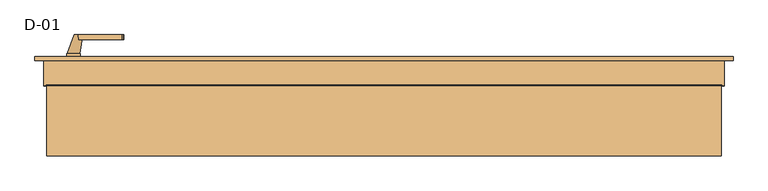
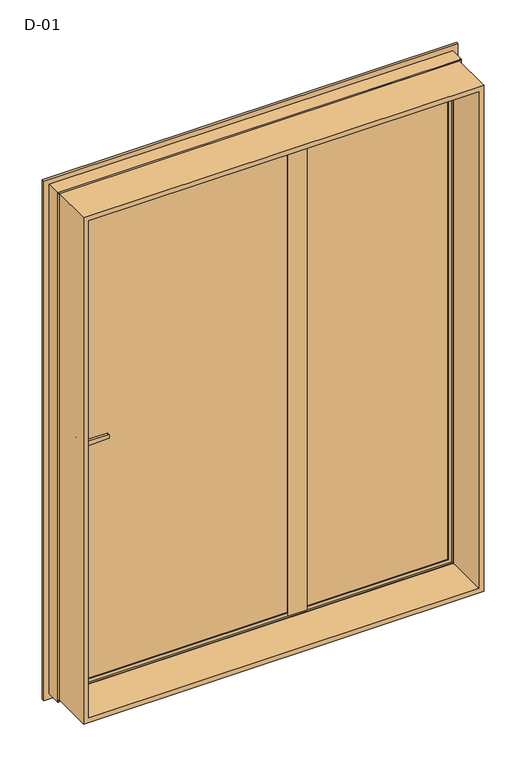
"""IFC4 building model written with IfcOpenShell, lengths in millimetres: door geometry, D-01."""

import ifcopenshell
import ifcopenshell.guid

model = None  # the IFC model being written
_history = None  # IfcOwnerHistory: only IFC2X3 demands one
_inside = {}  # id of a spatial element -> (the spatial element, [elements in it])
_under = {}  # id of a project, library or spatial element -> (it, [spatial elements below it])
_declared = {}  # id of a project -> (the project, [libraries it declares])
_typed = {}  # id of a type object -> (the type object, [elements of that type])
_made_of = {}  # id of a material, layer set ... -> (it, [elements and type objects made of it])


def new_model(schema):
    """Start an empty IFC model of exactly this schema.

    Asked for "IFC4X3", IfcOpenShell would pick the latest addendum, in which some entities
    have other attributes; the version numbers below select the first issue.
    IFC2X3 requires an IfcOwnerHistory on every rooted entity: one is made here for all.
    """
    global model, _history
    if schema == "IFC4X3":
        model = ifcopenshell.file(schema_version=(4, 3, 0, 0))
    else:
        model = ifcopenshell.file(schema=schema)
    _inside.clear()
    _under.clear()
    _declared.clear()
    _typed.clear()
    _made_of.clear()
    _history = None
    if model.schema == "IFC2X3":
        org = make("IfcOrganization", Name="unknown")
        user = make(
            "IfcPersonAndOrganization",
            ThePerson=make("IfcPerson", FamilyName="unknown"),
            TheOrganization=org,
        )
        app = make(
            "IfcApplication",
            ApplicationDeveloper=org,
            Version="unknown",
            ApplicationFullName="unknown",
            ApplicationIdentifier="unknown",
        )
        _history = make(
            "IfcOwnerHistory",
            OwningUser=user,
            OwningApplication=app,
            ChangeAction="ADDED",
            CreationDate=0,
        )
    return model


def make(cls, **values):
    """One entity of the class cls with the attributes given. An attribute that is None is left unset."""
    return model.create_entity(
        cls, **{name: value for name, value in values.items() if value is not None}
    )


def rooted(cls, **values):
    """An entity with a GlobalId (a new one), such as an element, a storey or a relation."""
    return make(cls, GlobalId=ifcopenshell.guid.new(), OwnerHistory=_history, **values)


def si_unit(unit_type, name, prefix=None):
    """IfcSIUnit, for example si_unit("LENGTHUNIT", "METRE", prefix="MILLI")."""
    return make("IfcSIUnit", UnitType=unit_type, Prefix=prefix, Name=name)


def assignment(units):
    """IfcUnitAssignment: the units of a project."""
    return None if units is None else make("IfcUnitAssignment", Units=units)


def point(xyz):
    """IfcCartesianPoint."""
    return None if xyz is None else make("IfcCartesianPoint", Coordinates=xyz)


def direction(xyz):
    """IfcDirection."""
    return None if xyz is None else make("IfcDirection", DirectionRatios=xyz)


def frame(location, z_axis=None, x_axis=None):
    """IfcAxis2Placement3D, a coordinate frame: its origin and axes. An axis left out is left unset."""
    return make(
        "IfcAxis2Placement3D",
        Location=point(location),
        Axis=direction(z_axis),
        RefDirection=direction(x_axis),
    )


def frame_2d(location, x_axis=None):
    """IfcAxis2Placement2D, a coordinate frame in the plane: its origin and x axis."""
    return make(
        "IfcAxis2Placement2D", Location=point(location), RefDirection=direction(x_axis)
    )


def origin():
    """The frame at (0, 0, 0) with its axes left unset."""
    return frame((0.0, 0.0, 0.0))


def place(relative_to, where):
    """IfcLocalPlacement: puts the frame where relative to a parent placement (None: the world)."""
    return make(
        "IfcLocalPlacement", PlacementRelTo=relative_to, RelativePlacement=where
    )


def context(
    kind, dimensions, precision=None, world=None, true_north=None, identifier=None
):
    """IfcGeometricRepresentationContext, for example the 3D "Model" context."""
    return make(
        "IfcGeometricRepresentationContext",
        ContextIdentifier=identifier,
        ContextType=kind,
        CoordinateSpaceDimension=dimensions,
        Precision=precision,
        WorldCoordinateSystem=world,
        TrueNorth=true_north,
    )


def project(units=None, contexts=None):
    """IfcProject with its units and contexts."""
    return rooted(
        "IfcProject",
        Name="project",
        RepresentationContexts=contexts,
        UnitsInContext=assignment(units),
    )


def spatial(cls, under=None, at=None, **own):
    """A site, building, storey or space (cls), placed at a placement, below another one or the project."""
    s = rooted(cls, ObjectPlacement=at, **own)
    if under is not None:
        _under.setdefault(under.id(), (under, []))[1].append(s)
    return s


def polyline(points):
    """IfcPolyline through the points."""
    return make("IfcPolyline", Points=[point(p) for p in points])


def circle_curve(where, radius):
    """IfcCircle in the frame where."""
    return make("IfcCircle", Position=where, Radius=radius)


def ellipse_curve(where, semi_axis1, semi_axis2):
    """IfcEllipse in the frame where."""
    return make(
        "IfcEllipse", Position=where, SemiAxis1=semi_axis1, SemiAxis2=semi_axis2
    )


def trimmed(basis, trim1, trim2, sense, master):
    """IfcTrimmedCurve: the piece of a basis curve between two trims."""
    return make(
        "IfcTrimmedCurve",
        BasisCurve=basis,
        Trim1=trim1,
        Trim2=trim2,
        SenseAgreement=sense,
        MasterRepresentation=master,
    )


def segment(curve, same_sense, transition):
    """IfcCompositeCurveSegment."""
    return make(
        "IfcCompositeCurveSegment",
        Transition=transition,
        SameSense=same_sense,
        ParentCurve=curve,
    )


def composite_curve(segments, self_intersect=None):
    """IfcCompositeCurve: segments joined end to end."""
    return make("IfcCompositeCurve", Segments=segments, SelfIntersect=self_intersect)


def outline(outer, holes=None, kind="AREA"):
    """IfcArbitraryClosedProfileDef: a profile drawn as a closed curve; with holes, ...WithVoids."""
    if holes is None:
        return make("IfcArbitraryClosedProfileDef", ProfileType=kind, OuterCurve=outer)
    return make(
        "IfcArbitraryProfileDefWithVoids",
        ProfileType=kind,
        OuterCurve=outer,
        InnerCurves=holes,
    )


def extrude(swept, where, along, depth):
    """IfcExtrudedAreaSolid: the profile swept, set in the frame where, extruded along a direction by depth."""
    return make(
        "IfcExtrudedAreaSolid",
        SweptArea=swept,
        Position=where,
        ExtrudedDirection=direction(along),
        Depth=depth,
    )


def shape(context_of_items, identifier, shape_type, items):
    """IfcShapeRepresentation: the items that make up one representation, for example the "Body"."""
    return make(
        "IfcShapeRepresentation",
        ContextOfItems=context_of_items,
        RepresentationIdentifier=identifier,
        RepresentationType=shape_type,
        Items=items,
    )


def source(mapping_origin, context_of_items, identifier, shape_type, items):
    """IfcRepresentationMap: a shape defined once, which mapped items show again and again."""
    return make(
        "IfcRepresentationMap",
        MappingOrigin=mapping_origin,
        MappedRepresentation=shape(context_of_items, identifier, shape_type, items),
    )


def transform(
    local_origin,
    x_axis=None,
    y_axis=None,
    z_axis=None,
    scale=None,
    scale2=None,
    scale3=None,
    uniform=True,
):
    """IfcCartesianTransformationOperator3D, or its non-uniform kind. x_axis, y_axis, z_axis: its Axis1, 2, 3."""
    if uniform:
        return make(
            "IfcCartesianTransformationOperator3D",
            Axis1=direction(x_axis),
            Axis2=direction(y_axis),
            LocalOrigin=point(local_origin),
            Scale=scale,
            Axis3=direction(z_axis),
        )
    return make(
        "IfcCartesianTransformationOperator3DnonUniform",
        Axis1=direction(x_axis),
        Axis2=direction(y_axis),
        LocalOrigin=point(local_origin),
        Scale=scale,
        Axis3=direction(z_axis),
        Scale2=scale2,
        Scale3=scale3,
    )


def mapped(mapping_source, mapping_target):
    """IfcMappedItem: shows the shape of a source again, moved by a transform."""
    return make(
        "IfcMappedItem", MappingSource=mapping_source, MappingTarget=mapping_target
    )


def made_of(thing, what):
    """Note that an element or type object is made of a material, layer set ...; save() writes the relation."""
    if what is not None:
        _made_of.setdefault(what.id(), (what, []))[1].append(thing)
    return thing


def element(
    cls,
    number,
    at=None,
    inside=None,
    cuts=None,
    type_object=None,
    material=None,
    context=None,
    identifier="Body",
    shape_type=None,
    held_by="IfcProductDefinitionShape",
    body=None,
    shapes=None,
    **own,
):
    """One element of the class cls, such as IfcWall. Its Tag is "e" and its number.

    at: its placement. inside: the storey or other place that contains it. cuts: it is an
    opening in that element (IfcRelVoidsElement). A single representation is given by context,
    identifier, shape_type and body (its items); several are given by shapes. held_by: the class
    of the entity that holds the representations. save() writes the other relations.
    """
    e = rooted(cls, Tag="e%d" % number, ObjectPlacement=at, **own)
    if body is not None:
        shapes = [shape(context, identifier, shape_type, body)]
    if shapes is not None:
        e.Representation = make(held_by, Representations=shapes)
    if inside is not None:
        _inside.setdefault(inside.id(), (inside, []))[1].append(e)
    if cuts is not None:
        rooted(
            "IfcRelVoidsElement", RelatingBuildingElement=cuts, RelatedOpeningElement=e
        )
    if type_object is not None:
        _typed.setdefault(type_object.id(), (type_object, []))[1].append(e)
    return made_of(e, material)


def aggregate(whole, parts):
    """IfcRelAggregates: a whole, such as a stair, and the parts it consists of."""
    return rooted("IfcRelAggregates", RelatingObject=whole, RelatedObjects=parts)


def save(model, path):
    """Write the relations noted so far, then the file.

    IfcRelAggregates (storeys below a building ...), IfcRelContainedInSpatialStructure (elements
    in a storey), IfcRelDefinesByType, IfcRelAssociatesMaterial and IfcRelDeclares: one each for
    every whole, place, type object, material and project.
    """
    for whole, parts in _under.values():
        aggregate(whole, parts)
    for where, things in _inside.values():
        rooted(
            "IfcRelContainedInSpatialStructure",
            RelatedElements=things,
            RelatingStructure=where,
        )
    for kind, things in _typed.values():
        rooted("IfcRelDefinesByType", RelatedObjects=things, RelatingType=kind)
    for what, things in _made_of.values():
        rooted("IfcRelAssociatesMaterial", RelatedObjects=things, RelatingMaterial=what)
    for by, libraries in _declared.values():
        rooted("IfcRelDeclares", RelatingContext=by, RelatedDefinitions=libraries)
    model.write(path)


def plane_surface(at):
    """IfcPlane: the flat surface through the origin of the frame at, square to its z axis."""
    return make("IfcPlane", Position=at)


def cylinder_surface(at, radius):
    """IfcCylindricalSurface: all points at the distance radius from the z axis of the frame at."""
    return make("IfcCylindricalSurface", Position=at, Radius=radius)


def revolved_surface(curve, axis_point, axis_direction):
    """IfcSurfaceOfRevolution: the curve turned about the line through axis_point along axis_direction."""
    return make(
        "IfcSurfaceOfRevolution",
        SweptCurve=make("IfcArbitraryOpenProfileDef", ProfileType="CURVE", Curve=curve),
        AxisPosition=make("IfcAxis1Placement", Location=point(axis_point), Axis=direction(axis_direction)),
    )


def spline_surface(u_degree, v_degree, points, u_multiplicities, v_multiplicities, u_knots, v_knots, weights=None):
    """IfcBSplineSurfaceWithKnots; with weights, IfcRationalBSplineSurfaceWithKnots. points: one row for each step in u."""
    own = dict(
        UDegree=u_degree,
        VDegree=v_degree,
        ControlPointsList=[[point(p) for p in row] for row in points],
        SurfaceForm="UNSPECIFIED",
        UClosed=False,
        VClosed=False,
        SelfIntersect=False,
        UMultiplicities=u_multiplicities,
        VMultiplicities=v_multiplicities,
        UKnots=u_knots,
        VKnots=v_knots,
        KnotSpec="UNSPECIFIED",
    )
    if weights is None:
        return make("IfcBSplineSurfaceWithKnots", **own)
    return make("IfcRationalBSplineSurfaceWithKnots", WeightsData=weights, **own)


def advanced_brep(points, edges, surfaces, faces):
    """IfcAdvancedBrep: a solid bounded by faces that lie on surfaces and meet in shared edges.

    An edge is (start, end): straight between two places in points (the first is 0);
    or (start, end, curve); or (start, end, curve, False) where it runs against its curve.
    A face is (place in surfaces, loops), or (place, loops, False) where it looks against
    its surface's normal. A loop lists edges by number (the first is 1), with a minus sign
    where the edge is run from its end to its start. The first loop is the outer one.
    """
    corners = [point(p) for p in points]
    vertices = [make("IfcVertexPoint", VertexGeometry=c) for c in corners]
    made = []
    for start, end, *more in edges:
        made.append(
            make(
                "IfcEdgeCurve",
                EdgeStart=vertices[start],
                EdgeEnd=vertices[end],
                EdgeGeometry=more[0] if more else make("IfcPolyline", Points=[corners[start], corners[end]]),
                SameSense=more[1] if len(more) > 1 else True,
            )
        )
    hull = []
    for where, loops, *sense in faces:
        bounds = []
        for j, loop in enumerate(loops):
            ring = [make("IfcOrientedEdge", EdgeElement=made[abs(k) - 1], Orientation=k > 0) for k in loop]
            bounds.append(
                make(
                    "IfcFaceOuterBound" if j == 0 else "IfcFaceBound",
                    Bound=make("IfcEdgeLoop", EdgeList=ring),
                    Orientation=True,
                )
            )
        hull.append(make("IfcAdvancedFace", Bounds=bounds, FaceSurface=surfaces[where], SameSense=sense[0] if sense else True))
    return make("IfcAdvancedBrep", Outer=make("IfcClosedShell", CfsFaces=hull))


def d_01_86dd3522(model_context):
    return source(origin(), model_context, "Body", "SolidModel", [
        extrude(outline(polyline([(723.0, 74.3927452), (172.0, 74.3927452), (172.0, 100.3927452), (723.0, 100.3927452), (723.0, 74.3927452)])), frame((0.0, 0.0, 26.9999604), z_axis=(0.0, 0.0, 1.0), x_axis=(1.0, 0.0, 0.0)), (0.0, 0.0, 1.0), 1946.0000792),
        extrude(outline(polyline([(1993.8, 743.8), (1993.8, -743.8), (6.2, -743.8), (6.2, 743.8), (1993.8, 743.8)]), holes=[polyline([(24.7, 725.3), (24.7, -725.3), (1975.3, -725.3), (1975.3, 725.3), (24.7, 725.3)])]), frame((0.0, -100.0, 0.0), z_axis=(0.0, 1.0, 0.0), x_axis=(0.0, 0.0, 1.0)), (0.0, 0.0, 1.0), 165.9999813),
        advanced_brep(
        [(710.0, 107.7228474, 1960.0000396), (710.0, 107.7228474, 39.9999604), (707.8575034, 100.3927452, 42.142457), (707.8575034, 100.3927452, 1957.857543), (730.0, 100.3927452, 19.9999604), (730.0, 100.3927452, 1980.0000396), (165.0, 100.3927452, 1980.0000396), (165.0, 100.3927452, 19.9999604), (187.1424966, 100.3927452, 42.142457), (187.1424966, 100.3927452, 1957.857543), (185.0, 107.7228474, 39.9999604), (710.0, 118.9999377, 1960.0000396), (710.0, 118.9999377, 39.9999604), (185.0, 118.9999377, 39.9999604), (730.0, 118.9999377, 1980.0000396), (730.0, 118.9999377, 19.9999604), (165.0, 118.9999377, 19.9999604), (165.0, 118.9999377, 1980.0000396), (185.0, 118.9999377, 1960.0000396), (185.0, 107.7228474, 1960.0000396)],
        [
            (0, 1),
            (1, 2, ellipse_curve(frame((690.3925883, 109.4756835, 59.6073722), z_axis=(-0.7071067811865475, 0.0, -0.7071067811865475), x_axis=(0.7071067811865474, 0.0, -0.7071067811865476)), 27.839649, 19.6856046)),
            (2, 3),
            (3, 0, ellipse_curve(frame((690.3925883, 109.4756835, 1940.3926278), z_axis=(-0.7071067811865475, 0.0, 0.7071067811865475), x_axis=(-0.7071067811865474, 0.0, -0.7071067811865476)), 27.839649, 19.6856046)),
            (4, 5),
            (5, 6),
            (6, 7),
            (7, 4),
            (2, 8),
            (8, 9),
            (9, 3),
            (1, 10),
            (10, 8, ellipse_curve(frame((204.6074117, 109.4756835, 59.6073722), z_axis=(-0.7071067811865475, 0.0, 0.7071067811865475), x_axis=(-0.7071067811865476, 0.0, -0.7071067811865474)), 27.839649, 19.6856046)),
            (11, 12),
            (12, 1),
            (0, 11),
            (12, 13),
            (13, 10),
            (14, 15),
            (15, 16),
            (16, 17),
            (17, 14),
            (11, 18),
            (18, 13),
            (4, 15),
            (14, 5),
            (7, 16),
            (10, 19),
            (19, 9, ellipse_curve(frame((204.6074117, 109.4756835, 1940.3926278), z_axis=(0.7071067811865475, 0.0, 0.7071067811865475), x_axis=(-0.7071067811865474, 0.0, 0.7071067811865476)), 27.839649, 19.6856046)),
            (18, 19),
            (6, 17),
            (19, 0),
        ],
        [
            revolved_surface(polyline([(710.0781929000001, 109.4756835, 39.9217676062467), (710.0781929000001, 109.4756835, 1960.0782323937533)]), (690.3925883, 109.4756835, 1980.0000396), (0.0, 0.0, -1.0)),
            plane_surface(frame((165.0, 100.3927452, 1980.0000396), z_axis=(0.0, -1.0, 0.0), x_axis=(1.0, 0.0, 0.0))),
            revolved_surface(polyline([(184.92180710624677, 109.4756835, 39.921767599999995), (710.0781928937533, 109.4756835, 39.921767599999995)]), (730.0, 109.4756835, 59.6073722), (-1.0, 0.0, 0.0)),
            plane_surface(frame((710.0, 107.7228474, 1960.0000396), z_axis=(-1.0, 0.0, 0.0), x_axis=(0.0, 0.0, -1.0))),
            plane_surface(frame((710.0, 107.7228474, 39.9999604), z_axis=(0.0, 0.0, 1.0), x_axis=(-1.0, 0.0, 0.0))),
            plane_surface(frame((185.0, 118.9999377, 1960.0000396), z_axis=(0.0, 1.0, 0.0), x_axis=(1.0, 0.0, 0.0))),
            plane_surface(frame((730.0, 118.9999377, 1980.0000396), z_axis=(1.0, 0.0, 0.0), x_axis=(0.0, 0.0, -1.0))),
            plane_surface(frame((730.0, 118.9999377, 19.9999604), z_axis=(0.0, 0.0, -1.0), x_axis=(-1.0, 0.0, 0.0))),
            revolved_surface(polyline([(184.9218071, 109.4756835, 1960.0782323937533), (184.9218071, 109.4756835, 39.92176760624672)]), (204.6074117, 109.4756835, 19.9999604), (0.0, 0.0, 1.0)),
            plane_surface(frame((185.0, 107.7228474, 39.9999604), z_axis=(1.0, 0.0, 0.0), x_axis=(0.0, 0.0, 1.0))),
            plane_surface(frame((165.0, 118.9999377, 19.9999604), z_axis=(-1.0, 0.0, 0.0), x_axis=(0.0, 0.0, 1.0))),
            revolved_surface(polyline([(710.0781928937533, 109.4756835, 1960.0782324), (184.92180710624672, 109.4756835, 1960.0782324)]), (165.0, 109.4756835, 1940.3926278), (1.0, 0.0, 0.0)),
            plane_surface(frame((185.0, 107.7228474, 1960.0000396), z_axis=(0.0, 0.0, -1.0), x_axis=(1.0, 0.0, 0.0))),
            plane_surface(frame((165.0, 118.9999377, 1980.0000396), z_axis=(0.0, 0.0, 1.0), x_axis=(1.0, 0.0, 0.0))),
        ],
        [
            (0, [[1, 2, 3, 4]]),
            (1, [[5, 6, 7, 8], [-3, 9, 10, 11]]),
            (2, [[12, 13, -9, -2]]),
            (3, [[14, 15, -1, 16]]),
            (4, [[17, 18, -12, -15]]),
            (5, [[19, 20, 21, 22], [-14, 23, 24, -17]]),
            (6, [[-5, 25, -19, 26]]),
            (7, [[-8, 27, -20, -25]]),
            (8, [[28, 29, -10, -13]]),
            (9, [[-24, 30, -28, -18]]),
            (10, [[-7, 31, -21, -27]]),
            (11, [[32, -4, -11, -29]]),
            (12, [[-23, -16, -32, -30]]),
            (13, [[-6, -26, -22, -31]]),
        ],
    ),
        extrude(outline(polyline([(114.9999652, 68.9990172), (114.9999652, 72.5990172), (134.9999813, 72.5990172), (134.9999813, 118.9999375), (165.0000187, 118.9999375), (165.0000187, 72.5990172), (185.0000026, 72.5990172), (185.0000026, 68.9990172), (114.9999652, 68.9990172)])), frame((0.0, 0.0, 19.9999604), z_axis=(0.0, 0.0, 1.0), x_axis=(1.0, 0.0, 0.0)), (0.0, 0.0, 1.0), 1960.0000792),
        extrude(outline(composite_curve([segment(polyline([(895.7, -680.0), (908.3261365, -680.0)]), True, "CONTINUOUS"), segment(trimmed(circle_curve(frame_2d((915.2, -685.0)), 8.5), [point((908.3261365, -680.0))], [point((908.3261365, -690.0))], False, "CARTESIAN"), True, "CONTINUOUS"), segment(polyline([(908.3261365, -690.0), (895.7, -690.0)]), True, "CONTINUOUS"), segment(trimmed(circle_curve(frame_2d((895.7, -685.0)), 5.0), [point((895.7, -690.0))], [point((895.7, -680.0))], False, "CARTESIAN"), True, "CONTINUOUS")], self_intersect=False)), frame((0.0, 66.3, 0.0), z_axis=(0.0, 1.0, 0.0), x_axis=(0.0, 0.0, 1.0)), (0.0, 0.0, 1.0), 11.0),
        extrude(outline(composite_curve([segment(trimmed(circle_curve(frame_2d((956.1155661, -685.0)), 97.2636214), [point((860.0, -699.9))], [point((860.0, -670.1))], False, "CARTESIAN"), True, "CONTINUOUS"), segment(polyline([(860.0, -670.1), (1078.5, -670.1)]), True, "CONTINUOUS"), segment(trimmed(circle_curve(frame_2d((982.3844339, -685.0)), 97.2636214), [point((1078.5, -670.1))], [point((1078.5, -699.9))], False, "CARTESIAN"), True, "CONTINUOUS"), segment(polyline([(1078.5, -699.9), (860.0, -699.9)]), True, "CONTINUOUS")], self_intersect=False), holes=[composite_curve([segment(polyline([(895.7, -690.0), (908.3261365, -690.0)]), True, "CONTINUOUS"), segment(trimmed(circle_curve(frame_2d((915.2, -685.0)), 8.5), [point((908.3261365, -690.0))], [point((908.3261365, -680.0))], True, "CARTESIAN"), True, "CONTINUOUS"), segment(polyline([(908.3261365, -680.0), (895.7, -680.0)]), True, "CONTINUOUS"), segment(trimmed(circle_curve(frame_2d((895.7, -685.0)), 5.0), [point((895.7, -680.0))], [point((895.7, -690.0))], True, "CARTESIAN"), True, "CONTINUOUS")], self_intersect=False)]), frame((0.0, 67.3, 0.0), z_axis=(0.0, 1.0, 0.0), x_axis=(0.0, 0.0, 1.0)), (0.0, 0.0, 1.0), 10.0),
        extrude(outline(composite_curve([segment(polyline([(1009.5, -674.0), (990.5, -674.0), (993.0308731, -577.3498556)]), True, "CONTINUOUS"), segment(trimmed(circle_curve(frame_2d((995.0301877, -577.4022095)), 2.0), [point((993.0308731, -577.3498556))], [point((994.5125497, -575.4703579))], False, "CARTESIAN"), True, "CONTINUOUS"), segment(polyline([(994.5125497, -575.4703579), (1000.0, -574.0), (1005.4874503, -575.4703579)]), True, "CONTINUOUS"), segment(trimmed(circle_curve(frame_2d((1004.9698123, -577.4022095)), 2.0), [point((1005.4874503, -575.4703579))], [point((1006.9691269, -577.3498556))], False, "CARTESIAN"), True, "CONTINUOUS"), segment(polyline([(1006.9691269, -577.3498556), (1009.5, -674.0)]), True, "CONTINUOUS")], self_intersect=False)), frame((0.0, 26.3, 0.0), z_axis=(0.0, 1.0, 0.0), x_axis=(0.0, 0.0, 1.0)), (0.0, 0.0, 1.0), 10.0),
        advanced_brep(
        [(-683.5, 26.3, 1000.0), (-664.5, 26.3, 1000.0), (-698.4, 67.3, 1000.0), (-671.6, 67.3, 1000.0)],
        [
            (0, 1, circle_curve(frame((-674.0, 26.3, 1000.0), z_axis=(0.0, -1.0, 0.0), x_axis=(1.0, 0.0, 0.0)), 9.5)),
            (1, 0, circle_curve(frame((-674.0, 26.3, 1000.0), z_axis=(0.0, -1.0, 0.0), x_axis=(1.0, 0.0, 0.0)), 9.5)),
            (2, 3, circle_curve(frame((-685.0, 67.3, 1000.0), z_axis=(0.0, 1.0, 0.0), x_axis=(1.0, 0.0, 0.0)), 13.4)),
            (3, 2, circle_curve(frame((-685.0, 67.3, 1000.0), z_axis=(0.0, 1.0, 0.0), x_axis=(1.0, 0.0, 0.0)), 13.4)),
            (3, 1),
            (0, 2),
        ],
        [
            plane_surface(frame((-674.0, 26.3, 1000.0), z_axis=(0.0, -1.0, 0.0), x_axis=(0.0, 0.0, -1.0))),
            plane_surface(frame((-685.0, 67.3, 1000.0), z_axis=(0.0, 1.0, 0.0), x_axis=(0.0, 0.0, -1.0))),
            spline_surface(2, 1, [[(-698.4, 67.3, 1000.0), (-683.5, 26.3, 1000.0)], [(-698.4, 67.3, 986.6), (-683.5, 26.3, 990.5)], [(-685.0, 67.3, 986.6), (-674.0, 26.3, 990.5)], [(-671.6, 67.3, 986.6), (-664.5, 26.3, 990.5)], [(-671.6, 67.3, 1000.0), (-664.5, 26.3, 1000.0)]], [3, 2, 3], [2, 2], [0.0, 1.0, 2.0], [0.0, 1.0], weights=[[1.0, 1.0], [0.7071067811865476, 0.7071067811865476], [1.0, 1.0], [0.7071067811865476, 0.7071067811865476], [1.0, 1.0]]),
            spline_surface(2, 1, [[(-671.6, 67.3, 1000.0), (-664.5, 26.3, 1000.0)], [(-671.6, 67.3, 1013.4), (-664.5, 26.3, 1009.5)], [(-685.0, 67.3, 1013.4), (-674.0, 26.3, 1009.5)], [(-698.4, 67.3, 1013.4), (-683.5, 26.3, 1009.5)], [(-698.4, 67.3, 1000.0), (-683.5, 26.3, 1000.0)]], [3, 2, 3], [2, 2], [0.0, 1.0, 2.0], [0.0, 1.0], weights=[[1.0, 1.0], [0.7071067811865476, 0.7071067811865476], [1.0, 1.0], [0.7071067811865476, 0.7071067811865476], [1.0, 1.0]]),
        ],
        [
            (0, [[1, 2]]),
            (1, [[3, 4]]),
            (2, [[-4, 5, -1, 6]]),
            (3, [[-3, -6, -2, -5]]),
        ],
    ),
        extrude(outline(composite_curve([segment(polyline([(895.7, -680.0), (908.3261365, -680.0)]), True, "CONTINUOUS"), segment(trimmed(circle_curve(frame_2d((915.2, -685.0)), 8.5), [point((908.3261365, -680.0))], [point((908.3261365, -690.0))], False, "CARTESIAN"), True, "CONTINUOUS"), segment(polyline([(908.3261365, -690.0), (895.7, -690.0)]), True, "CONTINUOUS"), segment(trimmed(circle_curve(frame_2d((895.7, -685.0)), 5.0), [point((895.7, -690.0))], [point((895.7, -680.0))], False, "CARTESIAN"), True, "CONTINUOUS")], self_intersect=False)), frame((0.0, 116.3, 0.0), z_axis=(0.0, 1.0, 0.0), x_axis=(0.0, 0.0, 1.0)), (0.0, 0.0, 1.0), 11.0),
        extrude(outline(composite_curve([segment(trimmed(circle_curve(frame_2d((956.1155661, -685.0)), 97.2636214), [point((860.0, -699.9))], [point((860.0, -670.1))], False, "CARTESIAN"), True, "CONTINUOUS"), segment(polyline([(860.0, -670.1), (1078.5, -670.1)]), True, "CONTINUOUS"), segment(trimmed(circle_curve(frame_2d((982.3844339, -685.0)), 97.2636214), [point((1078.5, -670.1))], [point((1078.5, -699.9))], False, "CARTESIAN"), True, "CONTINUOUS"), segment(polyline([(1078.5, -699.9), (860.0, -699.9)]), True, "CONTINUOUS")], self_intersect=False), holes=[composite_curve([segment(polyline([(895.7, -690.0), (908.3261365, -690.0)]), True, "CONTINUOUS"), segment(trimmed(circle_curve(frame_2d((915.2, -685.0)), 8.5), [point((908.3261365, -690.0))], [point((908.3261365, -680.0))], True, "CARTESIAN"), True, "CONTINUOUS"), segment(polyline([(908.3261365, -680.0), (895.7, -680.0)]), True, "CONTINUOUS"), segment(trimmed(circle_curve(frame_2d((895.7, -685.0)), 5.0), [point((895.7, -680.0))], [point((895.7, -690.0))], True, "CARTESIAN"), True, "CONTINUOUS")], self_intersect=False)]), frame((0.0, 116.3, 0.0), z_axis=(0.0, 1.0, 0.0), x_axis=(0.0, 0.0, 1.0)), (0.0, 0.0, 1.0), 10.0),
        extrude(outline(composite_curve([segment(polyline([(1009.5, -674.0), (990.5, -674.0), (993.0308731, -577.3498556)]), True, "CONTINUOUS"), segment(trimmed(circle_curve(frame_2d((995.0301877, -577.4022095)), 2.0), [point((993.0308731, -577.3498556))], [point((994.5125497, -575.4703579))], False, "CARTESIAN"), True, "CONTINUOUS"), segment(polyline([(994.5125497, -575.4703579), (1000.0, -574.0), (1005.4874503, -575.4703579)]), True, "CONTINUOUS"), segment(trimmed(circle_curve(frame_2d((1004.9698123, -577.4022095)), 2.0), [point((1005.4874503, -575.4703579))], [point((1006.9691269, -577.3498556))], False, "CARTESIAN"), True, "CONTINUOUS"), segment(polyline([(1006.9691269, -577.3498556), (1009.5, -674.0)]), True, "CONTINUOUS")], self_intersect=False)), frame((0.0, 157.3, 0.0), z_axis=(0.0, 1.0, 0.0), x_axis=(0.0, 0.0, 1.0)), (0.0, 0.0, 1.0), 10.0),
        advanced_brep(
        [(-683.5, 167.3, 1000.0), (-664.5, 167.3, 1000.0), (-698.4, 126.3, 1000.0), (-671.6, 126.3, 1000.0)],
        [
            (0, 1, circle_curve(frame((-674.0, 167.3, 1000.0), z_axis=(0.0, 1.0, 0.0), x_axis=(1.0, 0.0, 0.0)), 9.5)),
            (1, 0, circle_curve(frame((-674.0, 167.3, 1000.0), z_axis=(0.0, 1.0, 0.0), x_axis=(1.0, 0.0, 0.0)), 9.5)),
            (2, 3, circle_curve(frame((-685.0, 126.3, 1000.0), z_axis=(0.0, -1.0, 0.0), x_axis=(1.0, 0.0, 0.0)), 13.4)),
            (3, 2, circle_curve(frame((-685.0, 126.3, 1000.0), z_axis=(0.0, -1.0, 0.0), x_axis=(1.0, 0.0, 0.0)), 13.4)),
            (2, 0),
            (1, 3),
        ],
        [
            plane_surface(frame((-674.0, 167.3, 1000.0), z_axis=(0.0, 1.0, 0.0), x_axis=(0.0, 0.0, -1.0))),
            plane_surface(frame((-685.0, 126.3, 1000.0), z_axis=(0.0, -1.0, 0.0), x_axis=(0.0, 0.0, -1.0))),
            spline_surface(1, 2, [[(-698.4, 126.3, 1000.0), (-698.4, 126.3, 986.6), (-685.0, 126.3, 986.6), (-671.6, 126.3, 986.6), (-671.6, 126.3, 1000.0)], [(-683.5, 167.3, 1000.0), (-683.5, 167.3, 990.5), (-674.0, 167.3, 990.5), (-664.5, 167.3, 990.5), (-664.5, 167.3, 1000.0)]], [2, 2], [3, 2, 3], [0.0, 1.0], [0.0, 1.0, 2.0], weights=[[1.0, 0.7071067811865476, 1.0, 0.7071067811865476, 1.0], [1.0, 0.7071067811865476, 1.0, 0.7071067811865476, 1.0]]),
            spline_surface(1, 2, [[(-671.6, 126.3, 1000.0), (-671.6, 126.3, 1013.4), (-685.0, 126.3, 1013.4), (-698.4, 126.3, 1013.4), (-698.4, 126.3, 1000.0)], [(-664.5, 167.3, 1000.0), (-664.5, 167.3, 1009.5), (-674.0, 167.3, 1009.5), (-683.5, 167.3, 1009.5), (-683.5, 167.3, 1000.0)]], [2, 2], [3, 2, 3], [0.0, 1.0], [0.0, 1.0, 2.0], weights=[[1.0, 0.7071067811865476, 1.0, 0.7071067811865476, 1.0], [1.0, 0.7071067811865476, 1.0, 0.7071067811865476, 1.0]]),
        ],
        [
            (0, [[1, 2]]),
            (1, [[3, 4]]),
            (2, [[5, -2, 6, -3]]),
            (3, [[-6, -1, -5, -4]]),
        ],
    ),
        extrude(outline(polyline([(129.0, 116.3), (129.0, 77.3), (-725.0, 77.3), (-725.0, 116.3), (129.0, 116.3)])), frame((0.0, 0.0, 25.0), z_axis=(0.0, 0.0, 1.0), x_axis=(1.0, 0.0, 0.0)), (0.0, 0.0, 1.0), 1950.0),
        advanced_brep(
        [(770.000038, 110.0, 2020.000038), (770.000038, 110.0, -20.000038), (770.000038, 118.9999375, -20.000038), (770.000038, 118.9999375, 2020.000038), (-770.000038, 118.9999375, 2020.000038), (-770.000038, 118.9999375, -20.000038), (730.0000396, 118.9999375, 1980.0000396), (-730.0000396, 118.9999375, 1980.0000396), (-730.0000396, 118.9999375, 19.9999604), (730.0000396, 118.9999375, 19.9999604), (-770.000038, 110.0, -20.000038), (-770.000038, 110.0, 2020.000038), (-750.0, 110.0, 2000.0), (750.0, 110.0, 2000.0), (750.0, 110.0, 0.0), (-750.0, 110.0, 0.0), (750.0, 54.8507969, 2000.0), (750.0, 54.8507969, 0.0), (-750.0, 54.8507969, 0.0), (745.0001465, 54.8506112, 1995.0001465), (745.0001465, 54.8506112, 4.9998535), (-745.0001465, 54.8506112, 4.9998535), (745.0001465, 56.5920405, 1995.0001465), (745.0001465, 56.5920405, 4.9998535), (-745.0001465, 56.5920405, 4.9998535), (743.8001794, 56.5908144, 1993.8001794), (743.8001794, 56.5908144, 6.1998206), (-743.8001794, 56.5908144, 6.1998206), (743.8001794, 65.9999813, 1993.8001794), (743.8001794, 65.9999813, 6.1998206), (-743.8001794, 65.9999813, 6.1998206), (-743.8001794, 65.9999813, 1993.8001794), (-724.2001794, 65.9999813, 1974.2001794), (724.2001794, 65.9999813, 1974.2001794), (724.2001794, 65.9999813, 25.7998206), (-724.2001794, 65.9999813, 25.7998206), (724.2001794, 61.9999728, 1974.2001794), (724.2001794, 61.9999728, 25.7998206), (-724.2001794, 61.9999728, 25.7998206), (-724.2001794, 61.9999728, 1974.2001794), (-722.6156704, 61.9999728, 1972.6156704), (722.6156704, 61.9999728, 1972.6156704), (722.6156704, 61.9999728, 27.3843296), (-722.6156704, 61.9999728, 27.3843296), (722.8755675, 68.9999299, 1972.8755675), (722.8755675, 68.9999299, 27.1244325), (-722.8755675, 68.9999299, 27.1244325), (-722.8755675, 68.9999299, 1972.8755675), (-710.0002274, 68.9999299, 1960.0002274), (710.0002274, 68.9999299, 1960.0002274), (710.0002274, 68.9999299, 39.9997726), (-710.0002274, 68.9999299, 39.9997726), (710.0002274, 72.5999758, 1960.0002274), (710.0002274, 72.5999758, 39.9997726), (-710.0002274, 72.5999758, 39.9997726), (-730.0000396, 72.5999758, 1980.0000396), (730.0000396, 72.5999758, 1980.0000396), (730.0000396, 72.5999758, 19.9999604), (-730.0000396, 72.5999758, 19.9999604), (-710.0002274, 72.5999758, 1960.0002274), (-750.0, 54.8507969, 2000.0), (-745.0001465, 54.8506112, 1995.0001465), (-745.0001465, 56.5920405, 1995.0001465), (-743.8001794, 56.5908144, 1993.8001794)],
        [
            (0, 1),
            (1, 2),
            (2, 3),
            (3, 0),
            (4, 3),
            (2, 5),
            (5, 4),
            (6, 7),
            (7, 8),
            (8, 9),
            (9, 6),
            (1, 10),
            (10, 5),
            (0, 11),
            (11, 10),
            (12, 13),
            (13, 14),
            (14, 15),
            (15, 12),
            (16, 17),
            (17, 14),
            (13, 16),
            (17, 18),
            (18, 15),
            (19, 20),
            (20, 17, ellipse_curve(frame((747.5001465, 52.8785929, 2.4998535), z_axis=(-0.7071067811865475, 0.0, -0.7071067811865475), x_axis=(0.7071067811865474, 0.0, -0.7071067811865476)), 4.5030781, 3.184157)),
            (16, 19, ellipse_curve(frame((747.5001465, 52.8785929, 1997.5001465), z_axis=(-0.7071067811865475, 0.0, 0.7071067811865475), x_axis=(-0.7071067811865474, 0.0, -0.7071067811865476)), 4.5030781, 3.184157)),
            (20, 21),
            (21, 18, ellipse_curve(frame((-747.5001465, 52.8785929, 2.4998535), z_axis=(-0.7071067811865475, 0.0, 0.7071067811865475), x_axis=(-0.7071067811865476, 0.0, -0.7071067811865474)), 4.5030781, 3.184157)),
            (22, 23),
            (23, 20),
            (19, 22),
            (23, 24),
            (24, 21),
            (25, 26),
            (26, 23, ellipse_curve(frame((744.4001534, 56.6007652, 5.5998466), z_axis=(0.7071067811865475, 0.0, 0.7071067811865475), x_axis=(-0.7071067811865474, 0.0, 0.7071067811865476)), 0.8486081, 0.6000566)),
            (22, 25, ellipse_curve(frame((744.4001534, 56.6007652, 1994.4001534), z_axis=(0.7071067811865475, 0.0, -0.7071067811865475), x_axis=(0.7071067811865474, 0.0, 0.7071067811865476)), 0.8486081, 0.6000566)),
            (26, 27),
            (27, 24, ellipse_curve(frame((-744.4001534, 56.6007652, 5.5998466), z_axis=(0.7071067811865475, 0.0, -0.7071067811865475), x_axis=(0.7071067811865476, 0.0, 0.7071067811865474)), 0.8486081, 0.6000566)),
            (28, 29),
            (29, 26),
            (25, 28),
            (29, 30),
            (30, 27),
            (28, 31),
            (31, 30),
            (32, 33),
            (33, 34),
            (34, 35),
            (35, 32),
            (36, 37),
            (37, 34),
            (33, 36),
            (37, 38),
            (38, 35),
            (36, 39),
            (39, 38),
            (40, 41),
            (41, 42),
            (42, 43),
            (43, 40),
            (44, 45),
            (45, 42),
            (41, 44),
            (45, 46),
            (46, 43),
            (44, 47),
            (47, 46),
            (48, 49),
            (49, 50),
            (50, 51),
            (51, 48),
            (52, 53),
            (53, 50),
            (49, 52),
            (53, 54),
            (54, 51),
            (55, 56),
            (56, 57),
            (57, 58),
            (58, 55),
            (52, 59),
            (59, 54),
            (9, 57),
            (56, 6),
            (8, 58),
            (11, 4),
            (18, 60),
            (60, 12),
            (21, 61),
            (61, 60, ellipse_curve(frame((-747.5001465, 52.8785929, 1997.5001465), z_axis=(0.7071067811865475, 0.0, 0.7071067811865475), x_axis=(-0.7071067811865474, 0.0, 0.7071067811865476)), 4.5030781, 3.184157)),
            (24, 62),
            (62, 61),
            (27, 63),
            (63, 62, ellipse_curve(frame((-744.4001534, 56.6007652, 1994.4001534), z_axis=(-0.7071067811865475, 0.0, -0.7071067811865475), x_axis=(0.7071067811865474, 0.0, -0.7071067811865476)), 0.8486081, 0.6000566)),
            (31, 63),
            (39, 32),
            (47, 40),
            (59, 48),
            (7, 55),
            (60, 16),
            (61, 19),
            (62, 22),
            (63, 25),
        ],
        [
            plane_surface(frame((770.000038, 118.9999375, 2020.000038), z_axis=(1.0, 0.0, 0.0), x_axis=(0.0, 0.0, -1.0))),
            plane_surface(frame((-730.0000396, 118.9999375, 19.9999604), z_axis=(0.0, 1.0, 0.0), x_axis=(0.0, 0.0, 1.0))),
            plane_surface(frame((770.000038, 118.9999375, -20.000038), z_axis=(0.0, 0.0, -1.0), x_axis=(-1.0, 0.0, 0.0))),
            plane_surface(frame((-770.000038, 110.0, -20.000038), z_axis=(0.0, -1.0, 0.0), x_axis=(0.0, 0.0, 1.0))),
            plane_surface(frame((750.0, 110.0, 2000.0), z_axis=(1.0, 0.0, 0.0), x_axis=(0.0, 0.0, -1.0))),
            plane_surface(frame((750.0, 110.0, 0.0), z_axis=(0.0, 0.0, -1.0), x_axis=(-1.0, 0.0, 0.0))),
            revolved_surface(polyline([(750.6843035, 52.8785929, -0.6843035607225829), (750.6843035, 52.8785929, 2000.6843035607226)]), (747.5001465, 52.8785929, 2000.0), (0.0, 0.0, -1.0)),
            revolved_surface(polyline([(-750.6843035607226, 52.8785929, -0.6843035), (750.6843035607227, 52.8785929, -0.6843035)]), (750.0, 52.8785929, 2.4998535), (-1.0, 0.0, 0.0)),
            plane_surface(frame((745.0001465, 54.8506112, 1995.0001465), z_axis=(-1.0, 0.0, 0.0), x_axis=(0.0, 0.0, -1.0))),
            plane_surface(frame((745.0001465, 54.8506112, 4.9998535), z_axis=(0.0, 0.0, 1.0), x_axis=(-1.0, 0.0, 0.0))),
            cylinder_surface(frame((744.4001534, 56.6007652, 2000.0), z_axis=(0.0, 0.0, 1.0), x_axis=(1.0, 0.0, 0.0)), 0.6000566),
            cylinder_surface(frame((750.0, 56.6007652, 5.5998466), z_axis=(1.0, 0.0, 0.0), x_axis=(0.0, 0.0, -1.0)), 0.6000566),
            plane_surface(frame((743.8001794, 56.5908144, 1993.8001794), z_axis=(-1.0, 0.0, 0.0), x_axis=(0.0, 0.0, -1.0))),
            plane_surface(frame((743.8001794, 56.5908144, 6.1998206), z_axis=(0.0, 0.0, 1.0), x_axis=(-1.0, 0.0, 0.0))),
            plane_surface(frame((-743.8001794, 65.9999813, 6.1998206), z_axis=(0.0, -1.0, 0.0), x_axis=(0.0, 0.0, 1.0))),
            plane_surface(frame((724.2001794, 65.9999813, 1974.2001794), z_axis=(1.0, 0.0, 0.0), x_axis=(0.0, 0.0, -1.0))),
            plane_surface(frame((724.2001794, 65.9999813, 25.7998206), z_axis=(0.0, 0.0, -1.0), x_axis=(-1.0, 0.0, 0.0))),
            plane_surface(frame((-724.2001794, 61.9999728, 25.7998206), z_axis=(0.0, -1.0, 0.0), x_axis=(0.0, 0.0, 1.0))),
            plane_surface(frame((722.6156704, 61.9999728, 1972.6156704), z_axis=(-0.9993114533203381, 0.0371028201460986, 0.0), x_axis=(0.0, 0.0, -1.0))),
            plane_surface(frame((722.6156704, 61.9999728, 27.3843296), z_axis=(0.0, 0.03710282014609248, 0.9993114533203383), x_axis=(-1.0, 0.0, 0.0))),
            plane_surface(frame((-722.8755675, 68.9999299, 27.1244325), z_axis=(0.0, -1.0, 0.0), x_axis=(0.0, 0.0, 1.0))),
            plane_surface(frame((710.0002274, 68.9999299, 1960.0002274), z_axis=(-1.0, 0.0, 0.0), x_axis=(0.0, 0.0, -1.0))),
            plane_surface(frame((710.0002274, 68.9999299, 39.9997726), z_axis=(0.0, 0.0, 1.0), x_axis=(-1.0, 0.0, 0.0))),
            plane_surface(frame((-710.0002274, 72.5999758, 39.9997726), z_axis=(0.0, 1.0, 0.0), x_axis=(0.0, 0.0, 1.0))),
            plane_surface(frame((730.0000396, 72.5999758, 1980.0000396), z_axis=(-1.0, 0.0, 0.0), x_axis=(0.0, 0.0, -1.0))),
            plane_surface(frame((730.0000396, 72.5999758, 19.9999604), z_axis=(0.0, 0.0, 1.0), x_axis=(-1.0, 0.0, 0.0))),
            plane_surface(frame((-770.000038, 118.9999375, -20.000038), z_axis=(-1.0, 0.0, 0.0), x_axis=(0.0, 0.0, 1.0))),
            plane_surface(frame((-750.0, 110.0, 0.0), z_axis=(-1.0, 0.0, 0.0), x_axis=(0.0, 0.0, 1.0))),
            revolved_surface(polyline([(-750.6843035, 52.8785929, 2000.6843035607226), (-750.6843035, 52.8785929, -0.6843035607226331)]), (-747.5001465, 52.8785929, 0.0), (0.0, 0.0, 1.0)),
            plane_surface(frame((-745.0001465, 54.8506112, 4.9998535), z_axis=(1.0, 0.0, 0.0), x_axis=(0.0, 0.0, 1.0))),
            cylinder_surface(frame((-744.4001534, 56.6007652, 0.0), z_axis=(0.0, 0.0, -1.0), x_axis=(-1.0, 0.0, 0.0)), 0.6000566),
            plane_surface(frame((-743.8001794, 56.5908144, 6.1998206), z_axis=(1.0, 0.0, 0.0), x_axis=(0.0, 0.0, 1.0))),
            plane_surface(frame((-724.2001794, 65.9999813, 25.7998206), z_axis=(-1.0, 0.0, 0.0), x_axis=(0.0, 0.0, 1.0))),
            plane_surface(frame((-722.6156704, 61.9999728, 27.3843296), z_axis=(0.9993114533203385, 0.03710282014608636, 0.0), x_axis=(0.0, 0.0, 1.0))),
            plane_surface(frame((-710.0002274, 68.9999299, 39.9997726), z_axis=(1.0, 0.0, 0.0), x_axis=(0.0, 0.0, 1.0))),
            plane_surface(frame((-730.0000396, 72.5999758, 19.9999604), z_axis=(1.0, 0.0, 0.0), x_axis=(0.0, 0.0, 1.0))),
            plane_surface(frame((-770.000038, 118.9999375, 2020.000038), z_axis=(0.0, 0.0, 1.0), x_axis=(1.0, 0.0, 0.0))),
            plane_surface(frame((-750.0, 110.0, 2000.0), z_axis=(0.0, 0.0, 1.0), x_axis=(1.0, 0.0, 0.0))),
            revolved_surface(polyline([(750.6843035607226, 52.8785929, 2000.6843035), (-750.6843035607227, 52.8785929, 2000.6843035)]), (-750.0, 52.8785929, 1997.5001465), (1.0, 0.0, 0.0)),
            plane_surface(frame((-745.0001465, 54.8506112, 1995.0001465), z_axis=(0.0, 0.0, -1.0), x_axis=(1.0, 0.0, 0.0))),
            cylinder_surface(frame((-750.0, 56.6007652, 1994.4001534), z_axis=(-1.0, 0.0, 0.0), x_axis=(0.0, 0.0, 1.0)), 0.6000566),
            plane_surface(frame((-743.8001794, 56.5908144, 1993.8001794), z_axis=(0.0, 0.0, -1.0), x_axis=(1.0, 0.0, 0.0))),
            plane_surface(frame((-724.2001794, 65.9999813, 1974.2001794), z_axis=(0.0, 0.0, 1.0), x_axis=(1.0, 0.0, 0.0))),
            plane_surface(frame((-722.6156704, 61.9999728, 1972.6156704), z_axis=(0.0, 0.03710282014609248, -0.9993114533203383), x_axis=(1.0, 0.0, 0.0))),
            plane_surface(frame((-710.0002274, 68.9999299, 1960.0002274), z_axis=(0.0, 0.0, -1.0), x_axis=(1.0, 0.0, 0.0))),
            plane_surface(frame((-730.0000396, 72.5999758, 1980.0000396), z_axis=(0.0, 0.0, -1.0), x_axis=(1.0, 0.0, 0.0))),
        ],
        [
            (0, [[1, 2, 3, 4]]),
            (1, [[5, -3, 6, 7], [8, 9, 10, 11]]),
            (2, [[12, 13, -6, -2]]),
            (3, [[14, 15, -12, -1], [16, 17, 18, 19]]),
            (4, [[20, 21, -17, 22]]),
            (5, [[23, 24, -18, -21]]),
            (6, [[25, 26, -20, 27]]),
            (7, [[28, 29, -23, -26]]),
            (8, [[30, 31, -25, 32]]),
            (9, [[33, 34, -28, -31]]),
            (10, [[35, 36, -30, 37]]),
            (11, [[38, 39, -33, -36]]),
            (12, [[40, 41, -35, 42]]),
            (13, [[43, 44, -38, -41]]),
            (14, [[45, 46, -43, -40], [47, 48, 49, 50]]),
            (15, [[51, 52, -48, 53]]),
            (16, [[54, 55, -49, -52]]),
            (17, [[56, 57, -54, -51], [58, 59, 60, 61]]),
            (18, [[62, 63, -59, 64]]),
            (19, [[65, 66, -60, -63]]),
            (20, [[67, 68, -65, -62], [69, 70, 71, 72]]),
            (21, [[73, 74, -70, 75]]),
            (22, [[76, 77, -71, -74]]),
            (23, [[78, 79, 80, 81], [82, 83, -76, -73]]),
            (24, [[-11, 84, -79, 85]]),
            (25, [[-10, 86, -80, -84]]),
            (26, [[-15, 87, -7, -13]]),
            (27, [[88, 89, -19, -24]]),
            (28, [[90, 91, -88, -29]]),
            (29, [[92, 93, -90, -34]]),
            (30, [[94, 95, -92, -39]]),
            (31, [[-46, 96, -94, -44]]),
            (32, [[-57, 97, -50, -55]]),
            (33, [[-68, 98, -61, -66]]),
            (34, [[-83, 99, -72, -77]]),
            (35, [[-9, 100, -81, -86]]),
            (36, [[-14, -4, -5, -87]]),
            (37, [[101, -22, -16, -89]]),
            (38, [[102, -27, -101, -91]]),
            (39, [[103, -32, -102, -93]]),
            (40, [[104, -37, -103, -95]]),
            (41, [[-45, -42, -104, -96]]),
            (42, [[-56, -53, -47, -97]]),
            (43, [[-67, -64, -58, -98]]),
            (44, [[-82, -75, -69, -99]]),
            (45, [[-8, -85, -78, -100]]),
        ],
    ),
    ])


if __name__ == "__main__":
    model = new_model("IFC4")
    model_context = context("Model", 3, world=origin())
    ifc_project = project(units=[si_unit("LENGTHUNIT", "METRE", prefix="MILLI")], contexts=[model_context])
    site = spatial("IfcSite", under=ifc_project)
    building = spatial("IfcBuilding", under=site)
    placement = place(None, origin())
    d_01_shape = d_01_86dd3522(model_context)
    element("IfcDoor", 1, ObjectType="D-01", at=placement, inside=building, context=model_context, shape_type="MappedRepresentation", body=[
        mapped(d_01_shape, transform((0.0, 0.0, 0.0), x_axis=(1.0, 0.0, 0.0), y_axis=(0.0, 1.0, 0.0), z_axis=(0.0, 0.0, 1.0))),
    ])
    save(model, "model.ifc")
